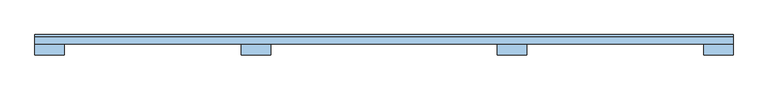
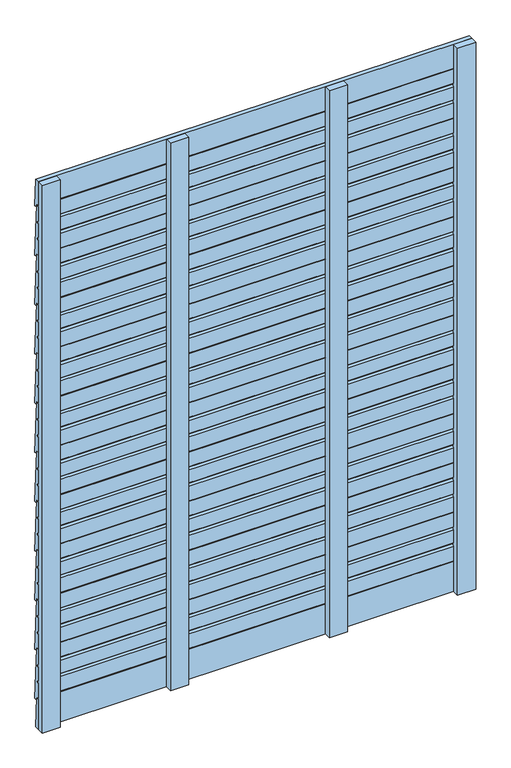
"""IFC4 building model written with IfcOpenShell, lengths in millimetres: window geometry."""

from ifc_helpers import new_model, si_unit, frame, origin, place, context, project, spatial, polyline, outline, extrude, source, transform, mapped, element, save


def window_414b2751(model_context):
    return source(origin(), model_context, "Body", "SweptSolid", [
        extrude(outline(polyline([(124.0001991, 277.3333333), (124.0001991, 324.6666667), (129.1979914, 330.6666667), (124.0001991, 336.6666667), (124.0001991, 390.0), (134.0094684, 390.0), (144.0078741, 200.0031481), (135.0853004, 200.9402731), (134.3857007, 212.0), (124.0001991, 212.0), (124.0001991, 265.3333333), (129.1979914, 271.3333333), (124.0001991, 277.3333333)])), frame((-750.0, 0.0, 0.0), z_axis=(1.0, 0.0, 0.0), x_axis=(0.0, 1.0, 0.0)), (0.0, 0.0, 1.0), 1500.0),
        extrude(outline(polyline([(124.0001991, 457.3333333), (124.0001991, 504.6666667), (129.1979914, 510.6666667), (124.0001991, 516.6666667), (124.0001991, 570.0), (134.0094684, 570.0), (144.0078741, 380.0031481), (135.0853004, 380.9402731), (134.3857007, 392.0), (124.0001991, 392.0), (124.0001991, 445.3333333), (129.1979914, 451.3333333), (124.0001991, 457.3333333)])), frame((-750.0, 0.0, 0.0), z_axis=(1.0, 0.0, 0.0), x_axis=(0.0, 1.0, 0.0)), (0.0, 0.0, 1.0), 1500.0),
        extrude(outline(polyline([(124.0001991, 637.3333333), (124.0001991, 684.6666667), (129.1979914, 690.6666667), (124.0001991, 696.6666667), (124.0001991, 750.0), (134.0094684, 750.0), (144.0078741, 560.0031481), (135.0853004, 560.9402731), (134.3857007, 572.0), (124.0001991, 572.0), (124.0001991, 625.3333333), (129.1979914, 631.3333333), (124.0001991, 637.3333333)])), frame((-750.0, 0.0, 0.0), z_axis=(1.0, 0.0, 0.0), x_axis=(0.0, 1.0, 0.0)), (0.0, 0.0, 1.0), 1500.0),
        extrude(outline(polyline([(124.0001991, 817.3333333), (124.0001991, 864.6666667), (129.1979914, 870.6666667), (124.0001991, 876.6666667), (124.0001991, 930.0), (134.0094684, 930.0), (144.0078741, 740.0031481), (135.0853004, 740.9402731), (134.3857007, 752.0), (124.0001991, 752.0), (124.0001991, 805.3333333), (129.1979914, 811.3333333), (124.0001991, 817.3333333)])), frame((-750.0, 0.0, 0.0), z_axis=(1.0, 0.0, 0.0), x_axis=(0.0, 1.0, 0.0)), (0.0, 0.0, 1.0), 1500.0),
        extrude(outline(polyline([(124.0001991, 997.3333333), (124.0001991, 1044.6666667), (129.1979914, 1050.6666667), (124.0001991, 1056.6666667), (124.0001991, 1110.0), (134.0094684, 1110.0), (144.0078741, 920.0031481), (135.0853004, 920.9402731), (134.3857007, 932.0), (124.0001991, 932.0), (124.0001991, 985.3333333), (129.1979914, 991.3333333), (124.0001991, 997.3333333)])), frame((-750.0, 0.0, 0.0), z_axis=(1.0, 0.0, 0.0), x_axis=(0.0, 1.0, 0.0)), (0.0, 0.0, 1.0), 1500.0),
        extrude(outline(polyline([(124.0001991, 1177.3333333), (124.0001991, 1224.6666667), (129.1979914, 1230.6666667), (124.0001991, 1236.6666667), (124.0001991, 1290.0), (134.0094684, 1290.0), (144.0078741, 1100.0031481), (135.0853004, 1100.9402731), (134.3857007, 1112.0), (124.0001991, 1112.0), (124.0001991, 1165.3333333), (129.1979914, 1171.3333333), (124.0001991, 1177.3333333)])), frame((-750.0, 0.0, 0.0), z_axis=(1.0, 0.0, 0.0), x_axis=(0.0, 1.0, 0.0)), (0.0, 0.0, 1.0), 1500.0),
        extrude(outline(polyline([(124.0001991, 1357.3333333), (124.0001991, 1404.6666667), (129.1979914, 1410.6666667), (124.0001991, 1416.6666667), (124.0001991, 1470.0), (134.0094684, 1470.0), (144.0078741, 1280.0031481), (135.0853004, 1280.9402731), (134.3857007, 1292.0), (124.0001991, 1292.0), (124.0001991, 1345.3333333), (129.1979914, 1351.3333333), (124.0001991, 1357.3333333)])), frame((-750.0, 0.0, 0.0), z_axis=(1.0, 0.0, 0.0), x_axis=(0.0, 1.0, 0.0)), (0.0, 0.0, 1.0), 1500.0),
        extrude(outline(polyline([(124.0001991, 1537.3333333), (124.0001991, 1584.6666667), (129.1979914, 1590.6666667), (124.0001991, 1596.6666667), (124.0001991, 1650.0), (134.0094684, 1650.0), (144.0078741, 1460.0031481), (135.0853004, 1460.9402731), (134.3857007, 1472.0), (124.0001991, 1472.0), (124.0001991, 1525.3333333), (129.1979914, 1531.3333333), (124.0001991, 1537.3333333)])), frame((-750.0, 0.0, 0.0), z_axis=(1.0, 0.0, 0.0), x_axis=(0.0, 1.0, 0.0)), (0.0, 0.0, 1.0), 1500.0),
        extrude(outline(polyline([(124.0001991, 1717.3333333), (124.0001991, 1764.6666667), (129.1979914, 1770.6666667), (124.0001991, 1776.6666667), (124.0001991, 1830.0), (134.0094684, 1830.0), (144.0078741, 1640.0031481), (135.0853004, 1640.9402731), (134.3857007, 1652.0), (124.0001991, 1652.0), (124.0001991, 1705.3333333), (129.1979914, 1711.3333333), (124.0001991, 1717.3333333)])), frame((-750.0, 0.0, 0.0), z_axis=(1.0, 0.0, 0.0), x_axis=(0.0, 1.0, 0.0)), (0.0, 0.0, 1.0), 1500.0),
        extrude(outline(polyline([(124.0001991, 1897.3333333), (124.0001991, 1944.6666667), (129.1979914, 1950.6666667), (124.0001991, 1956.6666667), (124.0001991, 2010.0), (134.0094684, 2010.0), (144.0078741, 1820.0031481), (135.0853004, 1820.9402731), (134.3857007, 1832.0), (124.0001991, 1832.0), (124.0001991, 1885.3333333), (129.1979914, 1891.3333333), (124.0001991, 1897.3333333)])), frame((-750.0, 0.0, 0.0), z_axis=(1.0, 0.0, 0.0), x_axis=(0.0, 1.0, 0.0)), (0.0, 0.0, 1.0), 1500.0),
        extrude(outline(polyline([(133.9998746, 210.0), (139.2629315, 100.0), (124.0, 100.0), (124.0, 210.0), (133.9998746, 210.0)])), frame((-750.0, 0.0, 0.0), z_axis=(1.0, 0.0, 0.0), x_axis=(0.0, 1.0, 0.0)), (0.0, 0.0, 1.0), 1500.0),
        extrude(outline(polyline([(144.0039038, 2001.0031481), (135.0813302, 2001.9402731), (134.3817304, 2013.0), (124.0039038, 2013.0), (124.0039038, 2100.0), (138.7934569, 2100.0), (144.0039038, 2001.0031481)])), frame((-750.0, 0.0, 0.0), z_axis=(1.0, 0.0, 0.0), x_axis=(0.0, 1.0, 0.0)), (0.0, 0.0, 1.0), 1500.0),
        extrude(outline(polyline([(-306.5, 124.0), (-243.5, 124.0), (-243.5, 100.0), (-306.5, 100.0), (-306.5, 124.0)])), frame((0.0, 0.0, 100.0), z_axis=(0.0, 0.0, 1.0), x_axis=(1.0, 0.0, 0.0)), (0.0, 0.0, 1.0), 2000.0),
        extrude(outline(polyline([(243.5, 124.0), (306.5, 124.0), (306.5, 100.0), (243.5, 100.0), (243.5, 124.0)])), frame((0.0, 0.0, 100.0), z_axis=(0.0, 0.0, 1.0), x_axis=(1.0, 0.0, 0.0)), (0.0, 0.0, 1.0), 2000.0),
        extrude(outline(polyline([(-750.0, 124.0), (-687.0, 124.0), (-687.0, 100.0), (-750.0, 100.0), (-750.0, 124.0)])), frame((0.0, 0.0, 100.0), z_axis=(0.0, 0.0, 1.0), x_axis=(1.0, 0.0, 0.0)), (0.0, 0.0, 1.0), 2000.0),
        extrude(outline(polyline([(687.0, 124.0), (750.0, 124.0), (750.0, 100.0), (687.0, 100.0), (687.0, 124.0)])), frame((0.0, 0.0, 100.0), z_axis=(0.0, 0.0, 1.0), x_axis=(1.0, 0.0, 0.0)), (0.0, 0.0, 1.0), 2000.0),
    ])


if __name__ == "__main__":
    model = new_model("IFC4")
    model_context = context("Model", 3, world=origin())
    ifc_project = project(units=[si_unit("LENGTHUNIT", "METRE", prefix="MILLI")], contexts=[model_context])
    site = spatial("IfcSite", under=ifc_project)
    building = spatial("IfcBuilding", under=site)
    placement = place(None, origin())
    window_shape = window_414b2751(model_context)
    element("IfcWindow", 1, at=placement, inside=building, context=model_context, shape_type="MappedRepresentation", body=[
        mapped(window_shape, transform((0.0, 0.0, 0.0), x_axis=(1.0, 0.0, 0.0), y_axis=(0.0, 1.0, 0.0), z_axis=(0.0, 0.0, 1.0))),
    ])
    save(model, "model.ifc")
